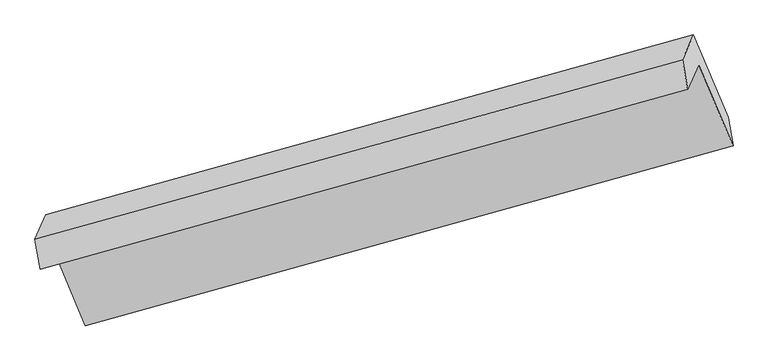
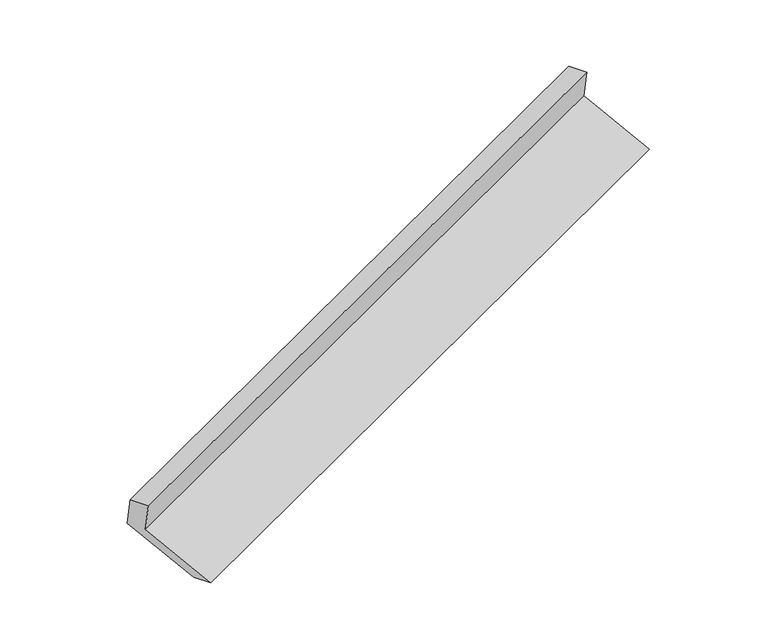
"""IFC4 building model written with IfcOpenShell, lengths in millimetres: proxy geometry."""

from ifc_helpers import new_model, si_unit, frame, origin, place, context, project, spatial, polyline, outline, extrude, source, transform, mapped, element, save


def generic_models_e184970b(model_context):
    return source(origin(), model_context, "Body", "SweptSolid", [
        extrude(outline(polyline([(-65.3555846, -136.3762561), (334.6766122, -136.3762561), (198.6996502, -310.5714835), (-201.3325467, -310.5714834), (-201.3325467, 364.8501258), (-65.3555846, 529.0453532), (-65.3555846, -136.3762561)])), frame((-5151.3190352, -2141.5523111, 1104.506194), z_axis=(0.910561917681818, 0.2527898103403033, 0.3270692676723447), x_axis=(-0.1940136927804664, -0.4373136740972391, 0.8781317882079321)), (0.0, 0.0, 1.0), 5030.5195664),
    ])


if __name__ == "__main__":
    model = new_model("IFC4")
    model_context = context("Model", 3, world=origin())
    ifc_project = project(units=[si_unit("LENGTHUNIT", "METRE", prefix="MILLI")], contexts=[model_context])
    site = spatial("IfcSite", under=ifc_project)
    building = spatial("IfcBuilding", under=site)
    placement = place(None, origin())
    generic_models_shape = generic_models_e184970b(model_context)
    element("IfcBuildingElementProxy", 1, Name="Generic Models", at=placement, inside=building, context=model_context, shape_type="MappedRepresentation", body=[
        mapped(generic_models_shape, transform((0.0, 0.0, 0.0), x_axis=(1.0, 0.0, 0.0), y_axis=(0.0, 1.0, 0.0), z_axis=(0.0, 0.0, 1.0))),
    ])
    save(model, "model.ifc")
